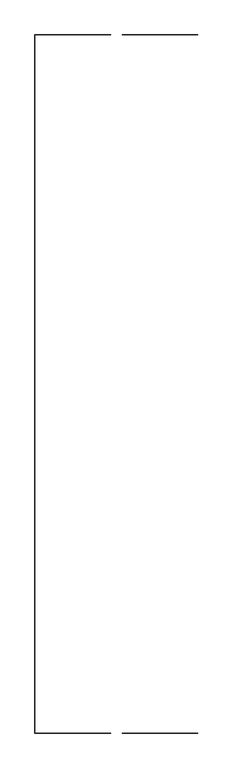
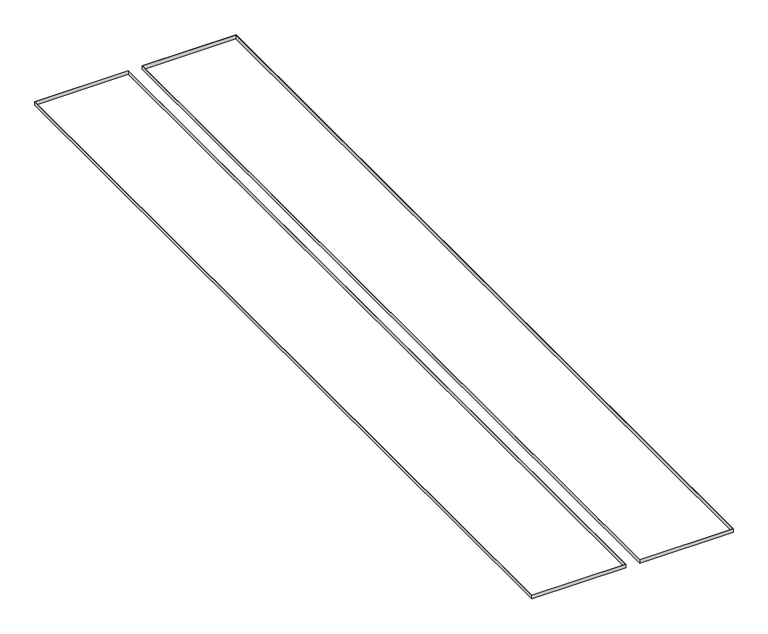
"""IFC4 building model written with IfcOpenShell, lengths in millimetres: furniture geometry."""

from ifc_helpers import new_model, si_unit, frame, origin, place, context, project, spatial, polyline, outline, extrude, source, transform, mapped, element, save


def furniture_81f313bf(model_context):
    return source(origin(), model_context, "Body", "SweptSolid", [
        extrude(outline(polyline([(49935.0482107, 10869.72759), (49272.6482107, 10869.72759), (49272.6482107, 16967.72759), (49935.0482107, 16967.72759), (49935.0482107, 10869.72759)]), holes=[polyline([(49934.0482107, 16966.72759), (49273.6482107, 16966.72759), (49273.6482107, 10870.72759), (49934.0482107, 10870.72759), (49934.0482107, 16966.72759)])]), frame((0.0, 0.0, 709.6), z_axis=(0.0, 0.0, 1.0), x_axis=(1.0, 0.0, 0.0)), (0.0, 0.0, 1.0), 27.0),
        extrude(outline(polyline([(49173.0482107, 10869.72759), (48510.6482107, 10869.72759), (48510.6482107, 16967.72759), (49173.0482107, 16967.72759), (49173.0482107, 10869.72759)]), holes=[polyline([(49172.0482107, 16966.72759), (48511.6482107, 16966.72759), (48511.6482107, 10870.72759), (49172.0482107, 10870.72759), (49172.0482107, 16966.72759)])]), frame((0.0, 0.0, 709.6), z_axis=(0.0, 0.0, 1.0), x_axis=(1.0, 0.0, 0.0)), (0.0, 0.0, 1.0), 27.0),
    ])


if __name__ == "__main__":
    model = new_model("IFC4")
    model_context = context("Model", 3, world=origin())
    ifc_project = project(units=[si_unit("LENGTHUNIT", "METRE", prefix="MILLI")], contexts=[model_context])
    site = spatial("IfcSite", under=ifc_project)
    building = spatial("IfcBuilding", under=site)
    placement = place(None, origin())
    furniture_shape = furniture_81f313bf(model_context)
    element("IfcFurniture", 1, at=placement, inside=building, context=model_context, shape_type="MappedRepresentation", body=[
        mapped(furniture_shape, transform((0.0, 0.0, 0.0), x_axis=(1.0, 0.0, 0.0), y_axis=(0.0, 1.0, 0.0), z_axis=(0.0, 0.0, 1.0))),
    ])
    save(model, "model.ifc")
